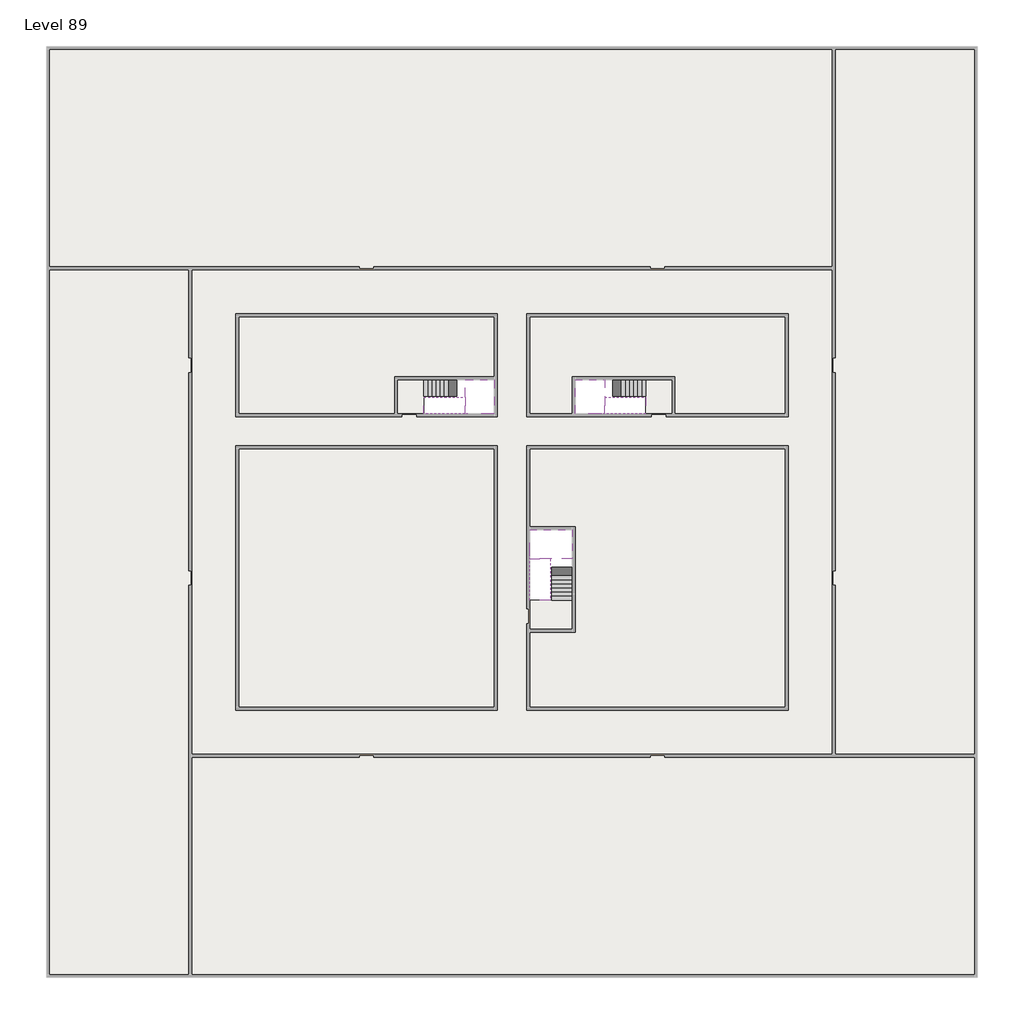
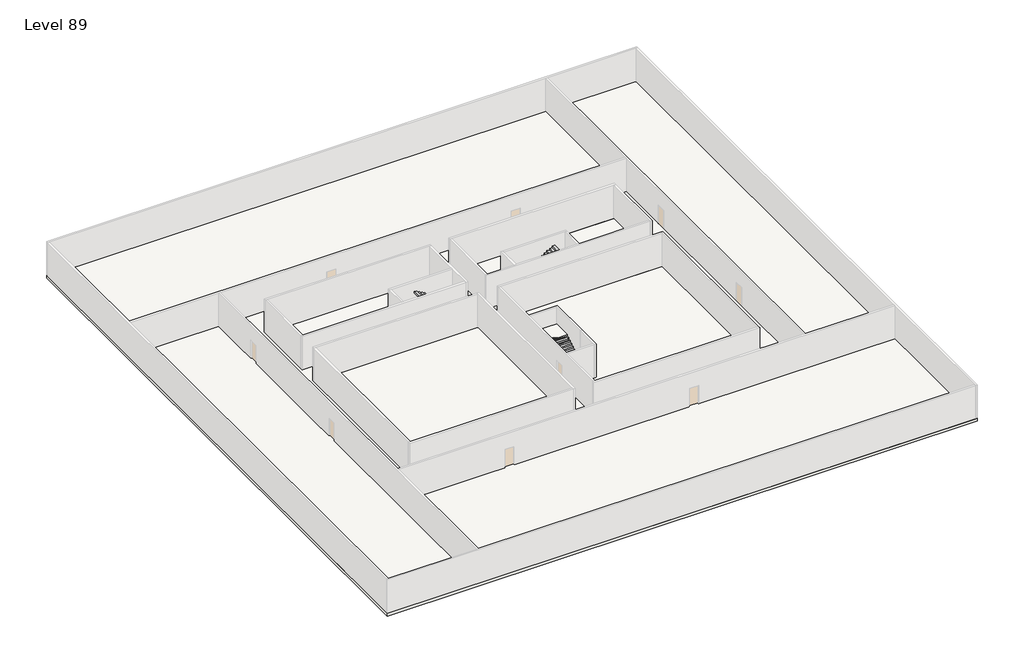
# One storey, part 2 of 2: 6 slabs, 6 stair flights.
"""IFC4 building model written with IfcOpenShell, lengths in millimetres."""

from ifc_helpers import new_model, si_unit, frame, origin, place, context, project, spatial, polyline, outline, extrude, faceted_brep, element, save

model = new_model("IFC4")

# Units and contexts
model_context = context("Model", 3, world=origin())
ifc_project = project(units=[si_unit("LENGTHUNIT", "METRE", prefix="MILLI")], contexts=[model_context])

# Site, building, storey
site = spatial("IfcSite", under=ifc_project)
building = spatial("IfcBuilding", under=site)
storey = spatial("IfcBuildingStorey", under=building, Name="Level 89", Elevation=334400.0)

# Slabs
placement = place(None, origin())
element("IfcSlab", 1, at=placement, inside=storey, context=model_context, shape_type="SweptSolid", body=[
    extrude(outline(polyline([(55890.1058784, -5518.09644), (55890.1058784, -68918.09644), (-7509.8941216, -68918.09644), (-7509.8941216, -5518.09644), (55890.1058784, -5518.09644)]), holes=[polyline([(22990.1058784, -23918.09644), (5590.1058784, -23918.09644), (5590.1058784, -30518.09644), (22990.1058784, -30518.09644), (22990.1058784, -23918.09644)]), polyline([(42990.1058784, -23918.09644), (25390.1058784, -23918.09644), (25390.1058784, -30518.09644), (42990.1058784, -30518.09644), (42990.1058784, -23918.09644)]), polyline([(25390.1058784, -50518.09644), (42790.1058784, -50518.09644), (42790.1058784, -32918.09644), (25390.1058784, -32918.09644), (25390.1058784, -50518.09644)]), polyline([(22990.1058784, -32918.09644), (5590.1058784, -32918.09644), (5590.1058784, -50518.09644), (22990.1058784, -50518.09644), (22990.1058784, -32918.09644)])]), frame((0.0, 0.0, 334100.0), z_axis=(0.0, 0.0, 1.0), x_axis=(1.0, 0.0, 0.0)), (0.0, 0.0, 1.0), 300.0),
])
element("IfcSlab", 2, at=placement, inside=storey, context=model_context, shape_type="SweptSolid", body=[
    extrude(outline(polyline([(22990.1058784, -23918.09644), (22990.1058784, -28018.09644), (16190.1058784, -28018.09644), (16190.1058784, -30518.09644), (5590.1058784, -30518.09644), (5590.1058784, -23918.09644), (22990.1058784, -23918.09644)])), frame((0.0, 0.0, 334100.0), z_axis=(0.0, 0.0, 1.0), x_axis=(1.0, 0.0, 0.0)), (0.0, 0.0, 1.0), 300.0),
    extrude(outline(polyline([(42790.1058784, -23918.09644), (42790.1058784, -30518.09644), (35290.1058784, -30518.09644), (35290.1058784, -28018.09644), (28490.1058784, -28018.09644), (28490.1058784, -30518.09644), (25390.1058784, -30518.09644), (25390.1058784, -23918.09644), (42790.1058784, -23918.09644)])), frame((0.0, 0.0, 334100.0), z_axis=(0.0, 0.0, 1.0), x_axis=(1.0, 0.0, 0.0)), (0.0, 0.0, 1.0), 300.0),
    extrude(outline(polyline([(22990.1058784, -32918.09644), (22990.1058784, -50518.09644), (5590.1058784, -50518.09644), (5590.1058784, -32918.09644), (22990.1058784, -32918.09644)])), frame((0.0, 0.0, 334100.0), z_axis=(0.0, 0.0, 1.0), x_axis=(1.0, 0.0, 0.0)), (0.0, 0.0, 1.0), 300.0),
    extrude(outline(polyline([(25390.1058784, -38218.09644), (25390.1058784, -32918.09644), (42790.1058784, -32918.09644), (42790.1058784, -50518.09644), (25390.1058784, -50518.09644), (25390.1058784, -45418.09644), (28490.1058784, -45418.09644), (28490.1058784, -38218.09644), (25390.1058784, -38218.09644)])), frame((0.0, 0.0, 334100.0), z_axis=(0.0, 0.0, 1.0), x_axis=(1.0, 0.0, 0.0)), (0.0, 0.0, 1.0), 300.0),
])
element("IfcSlab", 3, at=placement, inside=storey, context=model_context, shape_type="Brep", body=[
    faceted_brep([(26890.1058784, -40418.09644, 336300.0), (28290.1058784, -40418.09644, 336300.0), (28290.1058784, -40338.7100038, 336300.0), (28290.1058784, -38418.09644, 336300.0), (25390.1058784, -38418.09644, 336300.0), (25390.1058784, -40217.4828763, 336300.0), (25390.1058784, -40418.09644, 336300.0), (26790.1058784, -40418.09644, 336300.0), (26890.1058784, -40418.09644, 336000.0), (26890.1058784, -40418.09644, 335951.0278478), (28290.1058784, -40418.09644, 335951.0278478), (28290.1058784, -40418.09644, 336127.2727273), (28290.1058784, -40338.7100038, 336000.0), (28290.1058784, -38418.09644, 336000.0), (25390.1058784, -38418.09644, 336000.0), (25390.1058784, -40217.4828763, 336000.0), (25390.1058784, -40418.09644, 336123.7551205), (26790.1058784, -40418.09644, 336123.7551205), (26790.1058784, -40418.09644, 336000.0), (26790.1058784, -40217.4828763, 336000.0), (26890.1058784, -40338.7100038, 336000.0)], [[[0, 1, 2, 3, 4, 5, 6, 7]], [[1, 0, 8, 9, 10, 11]], [[1, 11, 10, 12, 13, 3, 2]], [[4, 3, 13, 14]], [[4, 14, 15, 16, 6, 5]], [[7, 6, 16, 17]], [[0, 7, 17, 18, 8]], [[18, 19, 15, 14, 13, 12, 20, 8]], [[19, 18, 17]], [[20, 12, 10, 9]], [[8, 20, 9]], [[15, 19, 17, 16]]]),
])
element("IfcSlab", 4, at=placement, inside=storey, context=model_context, shape_type="Brep", body=[
    faceted_brep([(20990.1058784, -28218.09644, 336300.0), (20990.1058784, -29318.09644, 336300.0), (20990.1058784, -29418.09644, 336300.0), (20990.1058784, -30518.09644, 336300.0), (21190.7194421, -30518.09644, 336300.0), (22990.1058784, -30518.09644, 336300.0), (22990.1058784, -28218.09644, 336300.0), (21069.4923146, -28218.09644, 336300.0), (20990.1058784, -28218.09644, 336127.2727273), (20990.1058784, -28218.09644, 335951.0278478), (20990.1058784, -29318.09644, 335951.0278478), (20990.1058784, -29318.09644, 336000.0), (20990.1058784, -29418.09644, 336000.0), (20990.1058784, -29418.09644, 336123.7551205), (20990.1058784, -30518.09644, 336123.7551205), (21190.7194421, -30518.09644, 336000.0), (22990.1058784, -30518.09644, 336000.0), (22990.1058784, -28218.09644, 336000.0), (21069.4923146, -28218.09644, 336000.0), (21190.7194421, -29418.09644, 336000.0), (21069.4923146, -29318.09644, 336000.0)], [[[0, 1, 2, 3, 4, 5, 6, 7]], [[1, 0, 8, 9, 10, 11]], [[2, 1, 11, 12, 13]], [[3, 2, 13, 14]], [[3, 14, 15, 16, 5, 4]], [[6, 5, 16, 17]], [[9, 8, 0, 7, 6, 17, 18]], [[19, 12, 11, 20, 18, 17, 16, 15]], [[12, 19, 13]], [[18, 20, 10, 9]], [[20, 11, 10]], [[19, 15, 14, 13]]]),
])
element("IfcSlab", 5, at=placement, inside=storey, context=model_context, shape_type="Brep", body=[
    faceted_brep([(30490.1058784, -29318.09644, 336300.0), (30490.1058784, -28218.09644, 336300.0), (30410.7194421, -28218.09644, 336300.0), (28490.1058784, -28218.09644, 336300.0), (28490.1058784, -30518.09644, 336300.0), (30289.4923146, -30518.09644, 336300.0), (30490.1058784, -30518.09644, 336300.0), (30490.1058784, -29418.09644, 336300.0), (30490.1058784, -29318.09644, 336000.0), (30490.1058784, -29318.09644, 335951.0278478), (30490.1058784, -28218.09644, 335951.0278478), (30490.1058784, -28218.09644, 336127.2727273), (30490.1058784, -29418.09644, 336123.7551205), (30490.1058784, -29418.09644, 336000.0), (30490.1058784, -30518.09644, 336123.7551205), (28490.1058784, -30518.09644, 336000.0), (30289.4923146, -30518.09644, 336000.0), (28490.1058784, -28218.09644, 336000.0), (30410.7194421, -28218.09644, 336000.0), (30289.4923146, -29418.09644, 336000.0), (30410.7194421, -29318.09644, 336000.0)], [[[0, 1, 2, 3, 4, 5, 6, 7]], [[1, 0, 8, 9, 10, 11]], [[0, 7, 12, 13, 8]], [[7, 6, 14, 12]], [[4, 15, 16, 14, 6, 5]], [[4, 3, 17, 15]], [[1, 11, 10, 18, 17, 3, 2]], [[13, 19, 16, 15, 17, 18, 20, 8]], [[20, 18, 10, 9]], [[8, 20, 9]], [[16, 19, 12, 14]], [[19, 13, 12]]]),
])
element("IfcSlab", 6, at=placement, inside=storey, context=model_context, shape_type="SweptSolid", body=[
    extrude(outline(polyline([(35090.1058784, -28218.09644), (35090.1058784, -30518.09644), (33290.1058784, -30518.09644), (33290.1058784, -28218.09644), (35090.1058784, -28218.09644)])), frame((0.0, 0.0, 334100.0), z_axis=(0.0, 0.0, 1.0), x_axis=(1.0, 0.0, 0.0)), (0.0, 0.0, 1.0), 300.0),
    extrude(outline(polyline([(18190.1058784, -28218.09644), (18190.1058784, -30518.09644), (16390.1058784, -30518.09644), (16390.1058784, -28218.09644), (18190.1058784, -28218.09644)])), frame((0.0, 0.0, 334100.0), z_axis=(0.0, 0.0, 1.0), x_axis=(1.0, 0.0, 0.0)), (0.0, 0.0, 1.0), 300.0),
    extrude(outline(polyline([(28290.1058784, -43218.09644), (28290.1058784, -45218.09644), (25390.1058784, -45218.09644), (25390.1058784, -43218.09644), (28290.1058784, -43218.09644)])), frame((0.0, 0.0, 334100.0), z_axis=(0.0, 0.0, 1.0), x_axis=(1.0, 0.0, 0.0)), (0.0, 0.0, 1.0), 300.0),
])

# Stair flights
element("IfcStairFlight", 7, at=placement, inside=storey, context=model_context, shape_type="Brep", body=[
    faceted_brep([(26890.1058784, -42938.09644, 334572.7272727), (26890.1058784, -43218.09644, 334572.7272727), (28290.1058784, -43218.09644, 334572.7272727), (28290.1058784, -42938.09644, 334572.7272727), (26890.1058784, -42938.09644, 334400.0), (26890.1058784, -43218.09644, 334400.0), (28290.1058784, -43218.09644, 334400.0), (28290.1058784, -42938.09644, 334400.0), (26890.1058784, -42658.09644, 334745.4545455), (26890.1058784, -42938.09644, 334745.4545455), (28290.1058784, -42938.09644, 334745.4545455), (28290.1058784, -42658.09644, 334745.4545455), (26890.1058784, -42658.09644, 334569.209666), (26890.1058784, -42932.3942143, 334400.0), (28290.1058784, -42932.3942143, 334400.0), (28290.1058784, -42658.09644, 334569.209666), (26890.1058784, -42378.09644, 334918.1818182), (26890.1058784, -42658.09644, 334918.1818182), (28290.1058784, -42658.09644, 334918.1818182), (28290.1058784, -42378.09644, 334918.1818182), (26890.1058784, -42378.09644, 334741.9369387), (28290.1058784, -42378.09644, 334741.9369387), (26890.1058784, -42098.09644, 335090.9090909), (26890.1058784, -42378.09644, 335090.9090909), (28290.1058784, -42378.09644, 335090.9090909), (28290.1058784, -42098.09644, 335090.9090909), (26890.1058784, -42098.09644, 334914.6642114), (28290.1058784, -42098.09644, 334914.6642114), (26890.1058784, -41818.09644, 335263.6363636), (26890.1058784, -42098.09644, 335263.6363636), (28290.1058784, -42098.09644, 335263.6363636), (28290.1058784, -41818.09644, 335263.6363636), (26890.1058784, -41818.09644, 335087.3914841), (28290.1058784, -41818.09644, 335087.3914841), (26890.1058784, -41538.09644, 335436.3636364), (26890.1058784, -41818.09644, 335436.3636364), (28290.1058784, -41818.09644, 335436.3636364), (28290.1058784, -41538.09644, 335436.3636364), (26890.1058784, -41538.09644, 335260.1187569), (28290.1058784, -41538.09644, 335260.1187569), (26890.1058784, -41258.09644, 335609.0909091), (26890.1058784, -41538.09644, 335609.0909091), (28290.1058784, -41538.09644, 335609.0909091), (28290.1058784, -41258.09644, 335609.0909091), (26890.1058784, -41258.09644, 335432.8460296), (28290.1058784, -41258.09644, 335432.8460296), (26890.1058784, -40978.09644, 335781.8181818), (26890.1058784, -41258.09644, 335781.8181818), (28290.1058784, -41258.09644, 335781.8181818), (28290.1058784, -40978.09644, 335781.8181818), (26890.1058784, -40978.09644, 335605.5733023), (28290.1058784, -40978.09644, 335605.5733023), (26890.1058784, -40698.09644, 335954.5454545), (26890.1058784, -40978.09644, 335954.5454545), (28290.1058784, -40978.09644, 335954.5454545), (28290.1058784, -40698.09644, 335954.5454545), (26890.1058784, -40698.09644, 335778.3005751), (28290.1058784, -40698.09644, 335778.3005751), (26890.1058784, -40418.09644, 336127.2727273), (26890.1058784, -40698.09644, 336127.2727273), (28290.1058784, -40698.09644, 336127.2727273), (28290.1058784, -40418.09644, 336127.2727273), (26890.1058784, -40418.09644, 336000.0), (26890.1058784, -40418.09644, 335951.0278478), (28290.1058784, -40418.09644, 335951.0278478)], [[[0, 1, 2, 3]], [[1, 0, 4, 5]], [[2, 1, 5, 6]], [[3, 2, 6, 7]], [[8, 9, 10, 11]], [[4, 0, 9, 8, 12, 13]], [[0, 3, 10, 9]], [[3, 7, 14, 15, 11, 10]], [[16, 17, 18, 19]], [[17, 16, 20, 12, 8]], [[8, 11, 18, 17]], [[19, 18, 11, 15, 21]], [[22, 23, 24, 25]], [[23, 22, 26, 20, 16]], [[16, 19, 24, 23]], [[25, 24, 19, 21, 27]], [[28, 29, 30, 31]], [[29, 28, 32, 26, 22]], [[22, 25, 30, 29]], [[31, 30, 25, 27, 33]], [[34, 35, 36, 37]], [[35, 34, 38, 32, 28]], [[28, 31, 36, 35]], [[37, 36, 31, 33, 39]], [[40, 41, 42, 43]], [[41, 40, 44, 38, 34]], [[34, 37, 42, 41]], [[43, 42, 37, 39, 45]], [[46, 47, 48, 49]], [[47, 46, 50, 44, 40]], [[40, 43, 48, 47]], [[49, 48, 43, 45, 51]], [[52, 53, 54, 55]], [[53, 52, 56, 50, 46]], [[46, 49, 54, 53]], [[55, 54, 49, 51, 57]], [[58, 59, 60, 61]], [[59, 58, 62, 63, 56, 52]], [[52, 55, 60, 59]], [[61, 60, 55, 57, 64]], [[58, 61, 64, 63, 62]], [[5, 4, 13, 14, 7, 6]], [[14, 13, 12, 20, 26, 32, 38, 44, 50, 56, 63, 64, 57, 51, 45, 39, 33, 27, 21, 15]]]),
])
element("IfcStairFlight", 8, at=placement, inside=storey, context=model_context, shape_type="Brep", body=[
    faceted_brep([(26790.1058784, -40698.09644, 336472.7272727), (26790.1058784, -40418.09644, 336472.7272727), (25390.1058784, -40418.09644, 336472.7272727), (25390.1058784, -40698.09644, 336472.7272727), (26790.1058784, -40698.09644, 336296.4823932), (26790.1058784, -40418.09644, 336123.7551205), (25390.1058784, -40418.09644, 336123.7551205), (25390.1058784, -40418.09644, 336300.0), (25390.1058784, -40698.09644, 336296.4823932), (26790.1058784, -40978.09644, 336645.4545455), (26790.1058784, -40698.09644, 336645.4545455), (25390.1058784, -40698.09644, 336645.4545455), (25390.1058784, -40978.09644, 336645.4545455), (26790.1058784, -40978.09644, 336469.209666), (25390.1058784, -40978.09644, 336469.209666), (26790.1058784, -41258.09644, 336818.1818182), (26790.1058784, -40978.09644, 336818.1818182), (25390.1058784, -40978.09644, 336818.1818182), (25390.1058784, -41258.09644, 336818.1818182), (26790.1058784, -41258.09644, 336641.9369387), (25390.1058784, -41258.09644, 336641.9369387), (26790.1058784, -41538.09644, 336990.9090909), (26790.1058784, -41258.09644, 336990.9090909), (25390.1058784, -41258.09644, 336990.9090909), (25390.1058784, -41538.09644, 336990.9090909), (26790.1058784, -41538.09644, 336814.6642114), (25390.1058784, -41538.09644, 336814.6642114), (26790.1058784, -41818.09644, 337163.6363636), (26790.1058784, -41538.09644, 337163.6363636), (25390.1058784, -41538.09644, 337163.6363636), (25390.1058784, -41818.09644, 337163.6363636), (26790.1058784, -41818.09644, 336987.3914841), (25390.1058784, -41818.09644, 336987.3914841), (26790.1058784, -42098.09644, 337336.3636364), (26790.1058784, -41818.09644, 337336.3636364), (25390.1058784, -41818.09644, 337336.3636364), (25390.1058784, -42098.09644, 337336.3636364), (26790.1058784, -42098.09644, 337160.1187569), (25390.1058784, -42098.09644, 337160.1187569), (26790.1058784, -42378.09644, 337509.0909091), (26790.1058784, -42098.09644, 337509.0909091), (25390.1058784, -42098.09644, 337509.0909091), (25390.1058784, -42378.09644, 337509.0909091), (26790.1058784, -42378.09644, 337332.8460296), (25390.1058784, -42378.09644, 337332.8460296), (26790.1058784, -42658.09644, 337681.8181818), (26790.1058784, -42378.09644, 337681.8181818), (25390.1058784, -42378.09644, 337681.8181818), (25390.1058784, -42658.09644, 337681.8181818), (26790.1058784, -42658.09644, 337505.5733023), (25390.1058784, -42658.09644, 337505.5733023), (26790.1058784, -42938.09644, 337854.5454545), (26790.1058784, -42658.09644, 337854.5454545), (25390.1058784, -42658.09644, 337854.5454545), (25390.1058784, -42938.09644, 337854.5454545), (26790.1058784, -42938.09644, 337678.3005751), (25390.1058784, -42938.09644, 337678.3005751), (26790.1058784, -43218.09644, 338027.2727273), (26790.1058784, -42938.09644, 338027.2727273), (25390.1058784, -42938.09644, 338027.2727273), (25390.1058784, -43218.09644, 338027.2727273), (26790.1058784, -43218.09644, 337851.0278478), (25390.1058784, -43218.09644, 337851.0278478)], [[[0, 1, 2, 3]], [[1, 0, 4, 5]], [[2, 1, 5, 6, 7]], [[3, 2, 7, 6, 8]], [[9, 10, 11, 12]], [[10, 9, 13, 4, 0]], [[11, 10, 0, 3]], [[12, 11, 3, 8, 14]], [[15, 16, 17, 18]], [[16, 15, 19, 13, 9]], [[17, 16, 9, 12]], [[18, 17, 12, 14, 20]], [[21, 22, 23, 24]], [[22, 21, 25, 19, 15]], [[23, 22, 15, 18]], [[24, 23, 18, 20, 26]], [[27, 28, 29, 30]], [[28, 27, 31, 25, 21]], [[29, 28, 21, 24]], [[30, 29, 24, 26, 32]], [[33, 34, 35, 36]], [[34, 33, 37, 31, 27]], [[35, 34, 27, 30]], [[36, 35, 30, 32, 38]], [[39, 40, 41, 42]], [[40, 39, 43, 37, 33]], [[41, 40, 33, 36]], [[42, 41, 36, 38, 44]], [[45, 46, 47, 48]], [[46, 45, 49, 43, 39]], [[47, 46, 39, 42]], [[48, 47, 42, 44, 50]], [[51, 52, 53, 54]], [[52, 51, 55, 49, 45]], [[53, 52, 45, 48]], [[54, 53, 48, 50, 56]], [[57, 58, 59, 60]], [[58, 57, 61, 55, 51]], [[59, 58, 51, 54]], [[60, 59, 54, 56, 62]], [[57, 60, 62, 61]], [[5, 4, 13, 19, 25, 31, 37, 43, 49, 55, 61, 62, 56, 50, 44, 38, 32, 26, 20, 14, 8, 6]]]),
])
element("IfcStairFlight", 9, at=placement, inside=storey, context=model_context, shape_type="Brep", body=[
    faceted_brep([(18470.1058784, -28218.09644, 334572.7272727), (18190.1058784, -28218.09644, 334572.7272727), (18190.1058784, -29318.09644, 334572.7272727), (18470.1058784, -29318.09644, 334572.7272727), (18470.1058784, -28218.09644, 334400.0), (18190.1058784, -28218.09644, 334400.0), (18190.1058784, -29318.09644, 334400.0), (18470.1058784, -29318.09644, 334400.0), (18750.1058784, -28218.09644, 334745.4545455), (18470.1058784, -28218.09644, 334745.4545455), (18470.1058784, -29318.09644, 334745.4545455), (18750.1058784, -29318.09644, 334745.4545455), (18750.1058784, -28218.09644, 334569.209666), (18475.8081041, -28218.09644, 334400.0), (18475.8081041, -29318.09644, 334400.0), (18750.1058784, -29318.09644, 334569.209666), (19030.1058784, -28218.09644, 334918.1818182), (18750.1058784, -28218.09644, 334918.1818182), (18750.1058784, -29318.09644, 334918.1818182), (19030.1058784, -29318.09644, 334918.1818182), (19030.1058784, -28218.09644, 334741.9369387), (19030.1058784, -29318.09644, 334741.9369387), (19310.1058784, -28218.09644, 335090.9090909), (19030.1058784, -28218.09644, 335090.9090909), (19030.1058784, -29318.09644, 335090.9090909), (19310.1058784, -29318.09644, 335090.9090909), (19310.1058784, -28218.09644, 334914.6642114), (19310.1058784, -29318.09644, 334914.6642114), (19590.1058784, -28218.09644, 335263.6363636), (19310.1058784, -28218.09644, 335263.6363636), (19310.1058784, -29318.09644, 335263.6363636), (19590.1058784, -29318.09644, 335263.6363636), (19590.1058784, -28218.09644, 335087.3914841), (19590.1058784, -29318.09644, 335087.3914841), (19870.1058784, -28218.09644, 335436.3636364), (19590.1058784, -28218.09644, 335436.3636364), (19590.1058784, -29318.09644, 335436.3636364), (19870.1058784, -29318.09644, 335436.3636364), (19870.1058784, -28218.09644, 335260.1187569), (19870.1058784, -29318.09644, 335260.1187569), (20150.1058784, -28218.09644, 335609.0909091), (19870.1058784, -28218.09644, 335609.0909091), (19870.1058784, -29318.09644, 335609.0909091), (20150.1058784, -29318.09644, 335609.0909091), (20150.1058784, -28218.09644, 335432.8460296), (20150.1058784, -29318.09644, 335432.8460296), (20430.1058784, -28218.09644, 335781.8181818), (20150.1058784, -28218.09644, 335781.8181818), (20150.1058784, -29318.09644, 335781.8181818), (20430.1058784, -29318.09644, 335781.8181818), (20430.1058784, -28218.09644, 335605.5733023), (20430.1058784, -29318.09644, 335605.5733023), (20710.1058784, -28218.09644, 335954.5454545), (20430.1058784, -28218.09644, 335954.5454545), (20430.1058784, -29318.09644, 335954.5454545), (20710.1058784, -29318.09644, 335954.5454545), (20710.1058784, -28218.09644, 335778.3005751), (20710.1058784, -29318.09644, 335778.3005751), (20990.1058784, -28218.09644, 336127.2727273), (20710.1058784, -28218.09644, 336127.2727273), (20710.1058784, -29318.09644, 336127.2727273), (20990.1058784, -29318.09644, 336127.2727273), (20990.1058784, -28218.09644, 335951.0278478), (20990.1058784, -29318.09644, 335951.0278478), (20990.1058784, -29318.09644, 336000.0)], [[[0, 1, 2, 3]], [[1, 0, 4, 5]], [[2, 1, 5, 6]], [[3, 2, 6, 7]], [[8, 9, 10, 11]], [[4, 0, 9, 8, 12, 13]], [[0, 3, 10, 9]], [[3, 7, 14, 15, 11, 10]], [[16, 17, 18, 19]], [[17, 16, 20, 12, 8]], [[8, 11, 18, 17]], [[19, 18, 11, 15, 21]], [[22, 23, 24, 25]], [[23, 22, 26, 20, 16]], [[16, 19, 24, 23]], [[25, 24, 19, 21, 27]], [[28, 29, 30, 31]], [[29, 28, 32, 26, 22]], [[22, 25, 30, 29]], [[31, 30, 25, 27, 33]], [[34, 35, 36, 37]], [[35, 34, 38, 32, 28]], [[28, 31, 36, 35]], [[37, 36, 31, 33, 39]], [[40, 41, 42, 43]], [[41, 40, 44, 38, 34]], [[34, 37, 42, 41]], [[43, 42, 37, 39, 45]], [[46, 47, 48, 49]], [[47, 46, 50, 44, 40]], [[40, 43, 48, 47]], [[49, 48, 43, 45, 51]], [[52, 53, 54, 55]], [[53, 52, 56, 50, 46]], [[46, 49, 54, 53]], [[55, 54, 49, 51, 57]], [[58, 59, 60, 61]], [[59, 58, 62, 56, 52]], [[52, 55, 60, 59]], [[61, 60, 55, 57, 63, 64]], [[58, 61, 64, 63, 62]], [[5, 4, 13, 14, 7, 6]], [[14, 13, 12, 20, 26, 32, 38, 44, 50, 56, 62, 63, 57, 51, 45, 39, 33, 27, 21, 15]]]),
])
element("IfcStairFlight", 10, at=placement, inside=storey, context=model_context, shape_type="Brep", body=[
    faceted_brep([(20710.1058784, -30518.09644, 336472.7272727), (20990.1058784, -30518.09644, 336472.7272727), (20990.1058784, -29418.09644, 336472.7272727), (20710.1058784, -29418.09644, 336472.7272727), (20710.1058784, -30518.09644, 336296.4823932), (20990.1058784, -30518.09644, 336123.7551205), (20990.1058784, -30518.09644, 336300.0), (20990.1058784, -29418.09644, 336123.7551205), (20710.1058784, -29418.09644, 336296.4823932), (20430.1058784, -30518.09644, 336645.4545455), (20710.1058784, -30518.09644, 336645.4545455), (20710.1058784, -29418.09644, 336645.4545455), (20430.1058784, -29418.09644, 336645.4545455), (20430.1058784, -30518.09644, 336469.209666), (20430.1058784, -29418.09644, 336469.209666), (20150.1058784, -30518.09644, 336818.1818182), (20430.1058784, -30518.09644, 336818.1818182), (20430.1058784, -29418.09644, 336818.1818182), (20150.1058784, -29418.09644, 336818.1818182), (20150.1058784, -30518.09644, 336641.9369387), (20150.1058784, -29418.09644, 336641.9369387), (19870.1058784, -30518.09644, 336990.9090909), (20150.1058784, -30518.09644, 336990.9090909), (20150.1058784, -29418.09644, 336990.9090909), (19870.1058784, -29418.09644, 336990.9090909), (19870.1058784, -30518.09644, 336814.6642114), (19870.1058784, -29418.09644, 336814.6642114), (19590.1058784, -30518.09644, 337163.6363636), (19870.1058784, -30518.09644, 337163.6363636), (19870.1058784, -29418.09644, 337163.6363636), (19590.1058784, -29418.09644, 337163.6363636), (19590.1058784, -30518.09644, 336987.3914841), (19590.1058784, -29418.09644, 336987.3914841), (19310.1058784, -30518.09644, 337336.3636364), (19590.1058784, -30518.09644, 337336.3636364), (19590.1058784, -29418.09644, 337336.3636364), (19310.1058784, -29418.09644, 337336.3636364), (19310.1058784, -30518.09644, 337160.1187569), (19310.1058784, -29418.09644, 337160.1187569), (19030.1058784, -30518.09644, 337509.0909091), (19310.1058784, -30518.09644, 337509.0909091), (19310.1058784, -29418.09644, 337509.0909091), (19030.1058784, -29418.09644, 337509.0909091), (19030.1058784, -30518.09644, 337332.8460296), (19030.1058784, -29418.09644, 337332.8460296), (18750.1058784, -30518.09644, 337681.8181818), (19030.1058784, -30518.09644, 337681.8181818), (19030.1058784, -29418.09644, 337681.8181818), (18750.1058784, -29418.09644, 337681.8181818), (18750.1058784, -30518.09644, 337505.5733023), (18750.1058784, -29418.09644, 337505.5733023), (18470.1058784, -30518.09644, 337854.5454545), (18750.1058784, -30518.09644, 337854.5454545), (18750.1058784, -29418.09644, 337854.5454545), (18470.1058784, -29418.09644, 337854.5454545), (18470.1058784, -30518.09644, 337678.3005751), (18470.1058784, -29418.09644, 337678.3005751), (18190.1058784, -30518.09644, 338027.2727273), (18470.1058784, -30518.09644, 338027.2727273), (18470.1058784, -29418.09644, 338027.2727273), (18190.1058784, -29418.09644, 338027.2727273), (18190.1058784, -30518.09644, 337851.0278478), (18190.1058784, -29418.09644, 337851.0278478)], [[[0, 1, 2, 3]], [[1, 0, 4, 5, 6]], [[2, 1, 6, 5, 7]], [[3, 2, 7, 8]], [[9, 10, 11, 12]], [[10, 9, 13, 4, 0]], [[11, 10, 0, 3]], [[12, 11, 3, 8, 14]], [[15, 16, 17, 18]], [[16, 15, 19, 13, 9]], [[17, 16, 9, 12]], [[18, 17, 12, 14, 20]], [[21, 22, 23, 24]], [[22, 21, 25, 19, 15]], [[23, 22, 15, 18]], [[24, 23, 18, 20, 26]], [[27, 28, 29, 30]], [[28, 27, 31, 25, 21]], [[29, 28, 21, 24]], [[30, 29, 24, 26, 32]], [[33, 34, 35, 36]], [[34, 33, 37, 31, 27]], [[35, 34, 27, 30]], [[36, 35, 30, 32, 38]], [[39, 40, 41, 42]], [[40, 39, 43, 37, 33]], [[41, 40, 33, 36]], [[42, 41, 36, 38, 44]], [[45, 46, 47, 48]], [[46, 45, 49, 43, 39]], [[47, 46, 39, 42]], [[48, 47, 42, 44, 50]], [[51, 52, 53, 54]], [[52, 51, 55, 49, 45]], [[53, 52, 45, 48]], [[54, 53, 48, 50, 56]], [[57, 58, 59, 60]], [[58, 57, 61, 55, 51]], [[59, 58, 51, 54]], [[60, 59, 54, 56, 62]], [[57, 60, 62, 61]], [[5, 4, 13, 19, 25, 31, 37, 43, 49, 55, 61, 62, 56, 50, 44, 38, 32, 26, 20, 14, 8, 7]]]),
])
element("IfcStairFlight", 11, at=placement, inside=storey, context=model_context, shape_type="Brep", body=[
    faceted_brep([(33010.1058784, -29318.09644, 334572.7272727), (33290.1058784, -29318.09644, 334572.7272727), (33290.1058784, -28218.09644, 334572.7272727), (33010.1058784, -28218.09644, 334572.7272727), (33290.1058784, -28218.09644, 334400.0), (33010.1058784, -28218.09644, 334400.0), (33290.1058784, -29318.09644, 334400.0), (33010.1058784, -29318.09644, 334400.0), (32730.1058784, -29318.09644, 334745.4545455), (33010.1058784, -29318.09644, 334745.4545455), (33010.1058784, -28218.09644, 334745.4545455), (32730.1058784, -28218.09644, 334745.4545455), (33004.4036527, -28218.09644, 334400.0), (32730.1058784, -28218.09644, 334569.209666), (32730.1058784, -29318.09644, 334569.209666), (33004.4036527, -29318.09644, 334400.0), (32450.1058784, -29318.09644, 334918.1818182), (32730.1058784, -29318.09644, 334918.1818182), (32730.1058784, -28218.09644, 334918.1818182), (32450.1058784, -28218.09644, 334918.1818182), (32450.1058784, -28218.09644, 334741.9369387), (32450.1058784, -29318.09644, 334741.9369387), (32170.1058784, -29318.09644, 335090.9090909), (32450.1058784, -29318.09644, 335090.9090909), (32450.1058784, -28218.09644, 335090.9090909), (32170.1058784, -28218.09644, 335090.9090909), (32170.1058784, -28218.09644, 334914.6642114), (32170.1058784, -29318.09644, 334914.6642114), (31890.1058784, -29318.09644, 335263.6363636), (32170.1058784, -29318.09644, 335263.6363636), (32170.1058784, -28218.09644, 335263.6363636), (31890.1058784, -28218.09644, 335263.6363636), (31890.1058784, -28218.09644, 335087.3914841), (31890.1058784, -29318.09644, 335087.3914841), (31610.1058784, -29318.09644, 335436.3636364), (31890.1058784, -29318.09644, 335436.3636364), (31890.1058784, -28218.09644, 335436.3636364), (31610.1058784, -28218.09644, 335436.3636364), (31610.1058784, -28218.09644, 335260.1187569), (31610.1058784, -29318.09644, 335260.1187569), (31330.1058784, -29318.09644, 335609.0909091), (31610.1058784, -29318.09644, 335609.0909091), (31610.1058784, -28218.09644, 335609.0909091), (31330.1058784, -28218.09644, 335609.0909091), (31330.1058784, -28218.09644, 335432.8460296), (31330.1058784, -29318.09644, 335432.8460296), (31050.1058784, -29318.09644, 335781.8181818), (31330.1058784, -29318.09644, 335781.8181818), (31330.1058784, -28218.09644, 335781.8181818), (31050.1058784, -28218.09644, 335781.8181818), (31050.1058784, -28218.09644, 335605.5733023), (31050.1058784, -29318.09644, 335605.5733023), (30770.1058784, -29318.09644, 335954.5454545), (31050.1058784, -29318.09644, 335954.5454545), (31050.1058784, -28218.09644, 335954.5454545), (30770.1058784, -28218.09644, 335954.5454545), (30770.1058784, -28218.09644, 335778.3005751), (30770.1058784, -29318.09644, 335778.3005751), (30490.1058784, -29318.09644, 336127.2727273), (30770.1058784, -29318.09644, 336127.2727273), (30770.1058784, -28218.09644, 336127.2727273), (30490.1058784, -28218.09644, 336127.2727273), (30490.1058784, -28218.09644, 335951.0278478), (30490.1058784, -29318.09644, 336000.0), (30490.1058784, -29318.09644, 335951.0278478)], [[[0, 1, 2, 3]], [[3, 2, 4, 5]], [[2, 1, 6, 4]], [[1, 0, 7, 6]], [[8, 9, 10, 11]], [[3, 5, 12, 13, 11, 10]], [[0, 3, 10, 9]], [[7, 0, 9, 8, 14, 15]], [[16, 17, 18, 19]], [[19, 18, 11, 13, 20]], [[8, 11, 18, 17]], [[17, 16, 21, 14, 8]], [[22, 23, 24, 25]], [[25, 24, 19, 20, 26]], [[16, 19, 24, 23]], [[23, 22, 27, 21, 16]], [[28, 29, 30, 31]], [[31, 30, 25, 26, 32]], [[22, 25, 30, 29]], [[29, 28, 33, 27, 22]], [[34, 35, 36, 37]], [[37, 36, 31, 32, 38]], [[28, 31, 36, 35]], [[35, 34, 39, 33, 28]], [[40, 41, 42, 43]], [[43, 42, 37, 38, 44]], [[34, 37, 42, 41]], [[41, 40, 45, 39, 34]], [[46, 47, 48, 49]], [[49, 48, 43, 44, 50]], [[40, 43, 48, 47]], [[47, 46, 51, 45, 40]], [[52, 53, 54, 55]], [[55, 54, 49, 50, 56]], [[46, 49, 54, 53]], [[53, 52, 57, 51, 46]], [[58, 59, 60, 61]], [[61, 60, 55, 56, 62]], [[52, 55, 60, 59]], [[59, 58, 63, 64, 57, 52]], [[58, 61, 62, 64, 63]], [[6, 7, 15, 12, 5, 4]], [[12, 15, 14, 21, 27, 33, 39, 45, 51, 57, 64, 62, 56, 50, 44, 38, 32, 26, 20, 13]]]),
])
element("IfcStairFlight", 12, at=placement, inside=storey, context=model_context, shape_type="Brep", body=[
    faceted_brep([(30770.1058784, -29418.09644, 336472.7272727), (30490.1058784, -29418.09644, 336472.7272727), (30490.1058784, -30518.09644, 336472.7272727), (30770.1058784, -30518.09644, 336472.7272727), (30490.1058784, -30518.09644, 336300.0), (30490.1058784, -30518.09644, 336123.7551205), (30770.1058784, -30518.09644, 336296.4823932), (30490.1058784, -29418.09644, 336123.7551205), (30770.1058784, -29418.09644, 336296.4823932), (31050.1058784, -29418.09644, 336645.4545455), (30770.1058784, -29418.09644, 336645.4545455), (30770.1058784, -30518.09644, 336645.4545455), (31050.1058784, -30518.09644, 336645.4545455), (31050.1058784, -30518.09644, 336469.209666), (31050.1058784, -29418.09644, 336469.209666), (31330.1058784, -29418.09644, 336818.1818182), (31050.1058784, -29418.09644, 336818.1818182), (31050.1058784, -30518.09644, 336818.1818182), (31330.1058784, -30518.09644, 336818.1818182), (31330.1058784, -30518.09644, 336641.9369387), (31330.1058784, -29418.09644, 336641.9369387), (31610.1058784, -29418.09644, 336990.9090909), (31330.1058784, -29418.09644, 336990.9090909), (31330.1058784, -30518.09644, 336990.9090909), (31610.1058784, -30518.09644, 336990.9090909), (31610.1058784, -30518.09644, 336814.6642114), (31610.1058784, -29418.09644, 336814.6642114), (31890.1058784, -29418.09644, 337163.6363636), (31610.1058784, -29418.09644, 337163.6363636), (31610.1058784, -30518.09644, 337163.6363636), (31890.1058784, -30518.09644, 337163.6363636), (31890.1058784, -30518.09644, 336987.3914841), (31890.1058784, -29418.09644, 336987.3914841), (32170.1058784, -29418.09644, 337336.3636364), (31890.1058784, -29418.09644, 337336.3636364), (31890.1058784, -30518.09644, 337336.3636364), (32170.1058784, -30518.09644, 337336.3636364), (32170.1058784, -30518.09644, 337160.1187569), (32170.1058784, -29418.09644, 337160.1187569), (32450.1058784, -29418.09644, 337509.0909091), (32170.1058784, -29418.09644, 337509.0909091), (32170.1058784, -30518.09644, 337509.0909091), (32450.1058784, -30518.09644, 337509.0909091), (32450.1058784, -30518.09644, 337332.8460296), (32450.1058784, -29418.09644, 337332.8460296), (32730.1058784, -29418.09644, 337681.8181818), (32450.1058784, -29418.09644, 337681.8181818), (32450.1058784, -30518.09644, 337681.8181818), (32730.1058784, -30518.09644, 337681.8181818), (32730.1058784, -30518.09644, 337505.5733023), (32730.1058784, -29418.09644, 337505.5733023), (33010.1058784, -29418.09644, 337854.5454545), (32730.1058784, -29418.09644, 337854.5454545), (32730.1058784, -30518.09644, 337854.5454545), (33010.1058784, -30518.09644, 337854.5454545), (33010.1058784, -30518.09644, 337678.3005751), (33010.1058784, -29418.09644, 337678.3005751), (33290.1058784, -29418.09644, 338027.2727273), (33010.1058784, -29418.09644, 338027.2727273), (33010.1058784, -30518.09644, 338027.2727273), (33290.1058784, -30518.09644, 338027.2727273), (33290.1058784, -30518.09644, 337851.0278478), (33290.1058784, -29418.09644, 337851.0278478)], [[[0, 1, 2, 3]], [[3, 2, 4, 5, 6]], [[2, 1, 7, 5, 4]], [[1, 0, 8, 7]], [[9, 10, 11, 12]], [[12, 11, 3, 6, 13]], [[11, 10, 0, 3]], [[10, 9, 14, 8, 0]], [[15, 16, 17, 18]], [[18, 17, 12, 13, 19]], [[17, 16, 9, 12]], [[16, 15, 20, 14, 9]], [[21, 22, 23, 24]], [[24, 23, 18, 19, 25]], [[23, 22, 15, 18]], [[22, 21, 26, 20, 15]], [[27, 28, 29, 30]], [[30, 29, 24, 25, 31]], [[29, 28, 21, 24]], [[28, 27, 32, 26, 21]], [[33, 34, 35, 36]], [[36, 35, 30, 31, 37]], [[35, 34, 27, 30]], [[34, 33, 38, 32, 27]], [[39, 40, 41, 42]], [[42, 41, 36, 37, 43]], [[41, 40, 33, 36]], [[40, 39, 44, 38, 33]], [[45, 46, 47, 48]], [[48, 47, 42, 43, 49]], [[47, 46, 39, 42]], [[46, 45, 50, 44, 39]], [[51, 52, 53, 54]], [[54, 53, 48, 49, 55]], [[53, 52, 45, 48]], [[52, 51, 56, 50, 45]], [[57, 58, 59, 60]], [[60, 59, 54, 55, 61]], [[59, 58, 51, 54]], [[58, 57, 62, 56, 51]], [[57, 60, 61, 62]], [[7, 8, 14, 20, 26, 32, 38, 44, 50, 56, 62, 61, 55, 49, 43, 37, 31, 25, 19, 13, 6, 5]]]),
])

save(model, "model.ifc")
